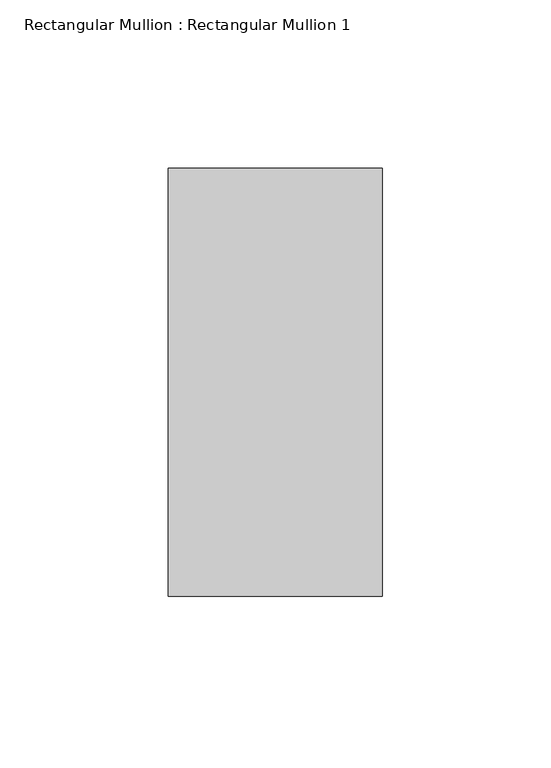
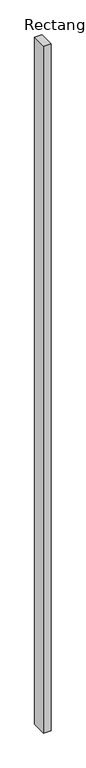
"""IFC4 building model written with IfcOpenShell, lengths in millimetres: member geometry, Rectangular Mullion : Rectangular Mullion 1."""

from ifc_helpers import new_model, si_unit, frame, origin, place, context, project, spatial, polyline, outline, extrude, source, transform, mapped, element, save


def rectangular_mullion_rectangular_mullion_1_5431ce88(model_context):
    return source(origin(), model_context, "Body", "SweptSolid", [
        extrude(outline(polyline([(31.75, 63.5), (31.75, -63.5), (-31.75, -63.5), (-31.75, 63.5), (31.75, 63.5)])), frame((0.0, 0.0, -6127.75), z_axis=(0.0, 0.0, 1.0), x_axis=(1.0, 0.0, 0.0)), (0.0, 0.0, 1.0), 6127.75),
    ])


if __name__ == "__main__":
    model = new_model("IFC4")
    model_context = context("Model", 3, world=origin())
    ifc_project = project(units=[si_unit("LENGTHUNIT", "METRE", prefix="MILLI")], contexts=[model_context])
    site = spatial("IfcSite", under=ifc_project)
    building = spatial("IfcBuilding", under=site)
    placement = place(None, origin())
    rectangular_mullion_rectangular_mullion_1_shape = rectangular_mullion_rectangular_mullion_1_5431ce88(model_context)
    element("IfcMember", 1, ObjectType="Rectangular Mullion : Rectangular Mullion 1", at=placement, inside=building, context=model_context, shape_type="MappedRepresentation", body=[
        mapped(rectangular_mullion_rectangular_mullion_1_shape, transform((0.0, 0.0, 0.0), x_axis=(1.0, 0.0, 0.0), y_axis=(0.0, 1.0, 0.0), z_axis=(0.0, 0.0, 1.0))),
    ])
    save(model, "model.ifc")
